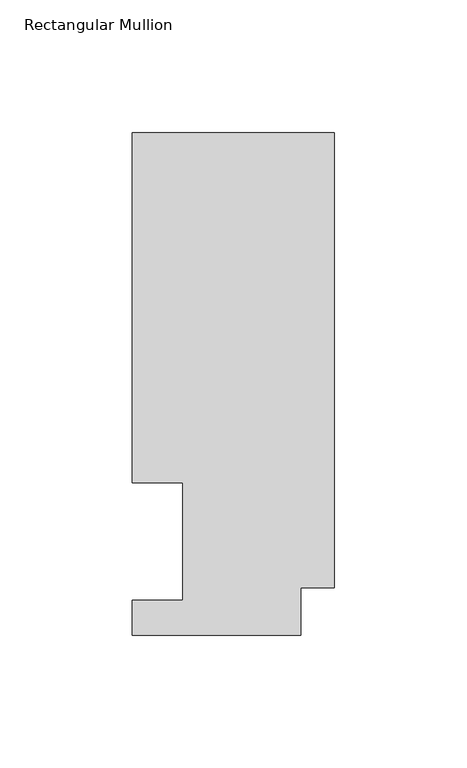
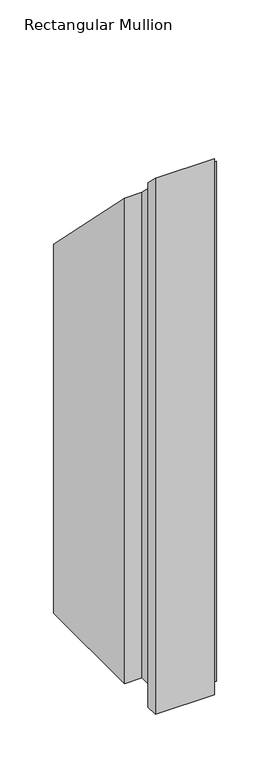
"""IFC4 building model written with IfcOpenShell, lengths in millimetres: member geometry, Rectangular Mullion."""

import ifcopenshell
import ifcopenshell.guid

model = None  # the IFC model being written
_history = None  # IfcOwnerHistory: only IFC2X3 demands one
_inside = {}  # id of a spatial element -> (the spatial element, [elements in it])
_under = {}  # id of a project, library or spatial element -> (it, [spatial elements below it])
_declared = {}  # id of a project -> (the project, [libraries it declares])
_typed = {}  # id of a type object -> (the type object, [elements of that type])
_made_of = {}  # id of a material, layer set ... -> (it, [elements and type objects made of it])


def new_model(schema):
    """Start an empty IFC model of exactly this schema.

    Asked for "IFC4X3", IfcOpenShell would pick the latest addendum, in which some entities
    have other attributes; the version numbers below select the first issue.
    IFC2X3 requires an IfcOwnerHistory on every rooted entity: one is made here for all.
    """
    global model, _history
    if schema == "IFC4X3":
        model = ifcopenshell.file(schema_version=(4, 3, 0, 0))
    else:
        model = ifcopenshell.file(schema=schema)
    _inside.clear()
    _under.clear()
    _declared.clear()
    _typed.clear()
    _made_of.clear()
    _history = None
    if model.schema == "IFC2X3":
        org = make("IfcOrganization", Name="unknown")
        user = make(
            "IfcPersonAndOrganization",
            ThePerson=make("IfcPerson", FamilyName="unknown"),
            TheOrganization=org,
        )
        app = make(
            "IfcApplication",
            ApplicationDeveloper=org,
            Version="unknown",
            ApplicationFullName="unknown",
            ApplicationIdentifier="unknown",
        )
        _history = make(
            "IfcOwnerHistory",
            OwningUser=user,
            OwningApplication=app,
            ChangeAction="ADDED",
            CreationDate=0,
        )
    return model


def make(cls, **values):
    """One entity of the class cls with the attributes given. An attribute that is None is left unset."""
    return model.create_entity(
        cls, **{name: value for name, value in values.items() if value is not None}
    )


def rooted(cls, **values):
    """An entity with a GlobalId (a new one), such as an element, a storey or a relation."""
    return make(cls, GlobalId=ifcopenshell.guid.new(), OwnerHistory=_history, **values)


def si_unit(unit_type, name, prefix=None):
    """IfcSIUnit, for example si_unit("LENGTHUNIT", "METRE", prefix="MILLI")."""
    return make("IfcSIUnit", UnitType=unit_type, Prefix=prefix, Name=name)


def assignment(units):
    """IfcUnitAssignment: the units of a project."""
    return None if units is None else make("IfcUnitAssignment", Units=units)


def point(xyz):
    """IfcCartesianPoint."""
    return None if xyz is None else make("IfcCartesianPoint", Coordinates=xyz)


def direction(xyz):
    """IfcDirection."""
    return None if xyz is None else make("IfcDirection", DirectionRatios=xyz)


def frame(location, z_axis=None, x_axis=None):
    """IfcAxis2Placement3D, a coordinate frame: its origin and axes. An axis left out is left unset."""
    return make(
        "IfcAxis2Placement3D",
        Location=point(location),
        Axis=direction(z_axis),
        RefDirection=direction(x_axis),
    )


def origin():
    """The frame at (0, 0, 0) with its axes left unset."""
    return frame((0.0, 0.0, 0.0))


def place(relative_to, where):
    """IfcLocalPlacement: puts the frame where relative to a parent placement (None: the world)."""
    return make(
        "IfcLocalPlacement", PlacementRelTo=relative_to, RelativePlacement=where
    )


def context(
    kind, dimensions, precision=None, world=None, true_north=None, identifier=None
):
    """IfcGeometricRepresentationContext, for example the 3D "Model" context."""
    return make(
        "IfcGeometricRepresentationContext",
        ContextIdentifier=identifier,
        ContextType=kind,
        CoordinateSpaceDimension=dimensions,
        Precision=precision,
        WorldCoordinateSystem=world,
        TrueNorth=true_north,
    )


def project(units=None, contexts=None):
    """IfcProject with its units and contexts."""
    return rooted(
        "IfcProject",
        Name="project",
        RepresentationContexts=contexts,
        UnitsInContext=assignment(units),
    )


def spatial(cls, under=None, at=None, **own):
    """A site, building, storey or space (cls), placed at a placement, below another one or the project."""
    s = rooted(cls, ObjectPlacement=at, **own)
    if under is not None:
        _under.setdefault(under.id(), (under, []))[1].append(s)
    return s


def faces_of(points, faces, orient=None, outer=None):
    """IfcFace entities. A face is a list of loops; a loop is a list of indices into points, from 0.

    orient and outer hold one flag for each loop. By default every Orientation is true, the
    first loop of a face is its IfcFaceOuterBound and the others are IfcFaceBound.
    """
    made = []
    for i, loops in enumerate(faces):
        bounds = []
        for j, loop in enumerate(loops):
            is_outer = j == 0 if outer is None else outer[i][j]
            bounds.append(
                make(
                    "IfcFaceOuterBound" if is_outer else "IfcFaceBound",
                    Bound=make("IfcPolyLoop", Polygon=[points[k] for k in loop]),
                    Orientation=True if orient is None else orient[i][j],
                )
            )
        made.append(make("IfcFace", Bounds=bounds))
    return made


def faceted_brep(points, faces, orient=None, outer=None, voids=None):
    """IfcFacetedBrep: a solid bounded by flat faces; with voids (closed shells), ...WithVoids."""
    shared = [point(p) for p in points]
    hull = make("IfcClosedShell", CfsFaces=faces_of(shared, faces, orient, outer))
    if voids is None:
        return make("IfcFacetedBrep", Outer=hull)
    return make(
        "IfcFacetedBrepWithVoids",
        Outer=hull,
        Voids=[
            make(cls, CfsFaces=faces_of(shared, fs, o, b)) for cls, fs, o, b in voids
        ],
    )


def shape(context_of_items, identifier, shape_type, items):
    """IfcShapeRepresentation: the items that make up one representation, for example the "Body"."""
    return make(
        "IfcShapeRepresentation",
        ContextOfItems=context_of_items,
        RepresentationIdentifier=identifier,
        RepresentationType=shape_type,
        Items=items,
    )


def source(mapping_origin, context_of_items, identifier, shape_type, items):
    """IfcRepresentationMap: a shape defined once, which mapped items show again and again."""
    return make(
        "IfcRepresentationMap",
        MappingOrigin=mapping_origin,
        MappedRepresentation=shape(context_of_items, identifier, shape_type, items),
    )


def transform(
    local_origin,
    x_axis=None,
    y_axis=None,
    z_axis=None,
    scale=None,
    scale2=None,
    scale3=None,
    uniform=True,
):
    """IfcCartesianTransformationOperator3D, or its non-uniform kind. x_axis, y_axis, z_axis: its Axis1, 2, 3."""
    if uniform:
        return make(
            "IfcCartesianTransformationOperator3D",
            Axis1=direction(x_axis),
            Axis2=direction(y_axis),
            LocalOrigin=point(local_origin),
            Scale=scale,
            Axis3=direction(z_axis),
        )
    return make(
        "IfcCartesianTransformationOperator3DnonUniform",
        Axis1=direction(x_axis),
        Axis2=direction(y_axis),
        LocalOrigin=point(local_origin),
        Scale=scale,
        Axis3=direction(z_axis),
        Scale2=scale2,
        Scale3=scale3,
    )


def mapped(mapping_source, mapping_target):
    """IfcMappedItem: shows the shape of a source again, moved by a transform."""
    return make(
        "IfcMappedItem", MappingSource=mapping_source, MappingTarget=mapping_target
    )


def made_of(thing, what):
    """Note that an element or type object is made of a material, layer set ...; save() writes the relation."""
    if what is not None:
        _made_of.setdefault(what.id(), (what, []))[1].append(thing)
    return thing


def element(
    cls,
    number,
    at=None,
    inside=None,
    cuts=None,
    type_object=None,
    material=None,
    context=None,
    identifier="Body",
    shape_type=None,
    held_by="IfcProductDefinitionShape",
    body=None,
    shapes=None,
    **own,
):
    """One element of the class cls, such as IfcWall. Its Tag is "e" and its number.

    at: its placement. inside: the storey or other place that contains it. cuts: it is an
    opening in that element (IfcRelVoidsElement). A single representation is given by context,
    identifier, shape_type and body (its items); several are given by shapes. held_by: the class
    of the entity that holds the representations. save() writes the other relations.
    """
    e = rooted(cls, Tag="e%d" % number, ObjectPlacement=at, **own)
    if body is not None:
        shapes = [shape(context, identifier, shape_type, body)]
    if shapes is not None:
        e.Representation = make(held_by, Representations=shapes)
    if inside is not None:
        _inside.setdefault(inside.id(), (inside, []))[1].append(e)
    if cuts is not None:
        rooted(
            "IfcRelVoidsElement", RelatingBuildingElement=cuts, RelatedOpeningElement=e
        )
    if type_object is not None:
        _typed.setdefault(type_object.id(), (type_object, []))[1].append(e)
    return made_of(e, material)


def aggregate(whole, parts):
    """IfcRelAggregates: a whole, such as a stair, and the parts it consists of."""
    return rooted("IfcRelAggregates", RelatingObject=whole, RelatedObjects=parts)


def save(model, path):
    """Write the relations noted so far, then the file.

    IfcRelAggregates (storeys below a building ...), IfcRelContainedInSpatialStructure (elements
    in a storey), IfcRelDefinesByType, IfcRelAssociatesMaterial and IfcRelDeclares: one each for
    every whole, place, type object, material and project.
    """
    for whole, parts in _under.values():
        aggregate(whole, parts)
    for where, things in _inside.values():
        rooted(
            "IfcRelContainedInSpatialStructure",
            RelatedElements=things,
            RelatingStructure=where,
        )
    for kind, things in _typed.values():
        rooted("IfcRelDefinesByType", RelatedObjects=things, RelatingType=kind)
    for what, things in _made_of.values():
        rooted("IfcRelAssociatesMaterial", RelatedObjects=things, RelatingMaterial=what)
    for by, libraries in _declared.values():
        rooted("IfcRelDeclares", RelatingContext=by, RelatedDefinitions=libraries)
    model.write(path)


def rectangular_mullion_97f7c8f1(model_context):
    return source(origin(), model_context, "Body", "Brep", [
        faceted_brep([(0.0, 189.8022938, -609.56825), (0.0, 17.9712938, -609.56825), (-12.7, 17.9712938, -609.56825), (-12.7, 0.0134938, -609.56825), (-76.2, 0.0134938, -609.56825), (-76.2, 13.1960938, -609.56825), (-57.15, 13.1960938, -609.56825), (-57.15, 57.6460937, -609.56825), (-76.2, 57.6460938, -609.56825), (-76.2, 189.8022938, -609.56825), (0.0, 189.8022938, -189.8022937), (0.0, 17.9712938, -17.9712937), (-12.7, 17.9712938, -17.9712938), (-12.7, 0.0134938, -0.0134938), (-76.2, 0.0134938, -0.0134938), (-76.2, 13.1960938, -13.1960938), (-57.15, 13.1960938, -13.1960938), (-57.15, 57.6460937, -57.6460937), (-76.2, 57.6460938, -57.6460937), (-76.2, 189.8022938, -189.8022937)], [[[0, 1, 2, 3, 4, 5, 6, 7, 8, 9]], [[10, 11, 1, 0]], [[11, 12, 2, 1]], [[12, 13, 3, 2]], [[13, 14, 4, 3]], [[14, 15, 5, 4]], [[15, 16, 6, 5]], [[16, 17, 7, 6]], [[17, 18, 8, 7]], [[18, 19, 9, 8]], [[19, 10, 0, 9]], [[10, 19, 18, 17, 16, 15, 14, 13, 12, 11]]]),
    ])


if __name__ == "__main__":
    model = new_model("IFC4")
    model_context = context("Model", 3, world=origin())
    ifc_project = project(units=[si_unit("LENGTHUNIT", "METRE", prefix="MILLI")], contexts=[model_context])
    site = spatial("IfcSite", under=ifc_project)
    building = spatial("IfcBuilding", under=site)
    placement = place(None, origin())
    rectangular_mullion_shape = rectangular_mullion_97f7c8f1(model_context)
    element("IfcMember", 1, ObjectType="Rectangular Mullion", at=placement, inside=building, context=model_context, shape_type="MappedRepresentation", body=[
        mapped(rectangular_mullion_shape, transform((0.0, 0.0, 0.0), x_axis=(1.0, 0.0, 0.0), y_axis=(0.0, 1.0, 0.0), z_axis=(0.0, 0.0, 1.0))),
    ])
    save(model, "model.ifc")
